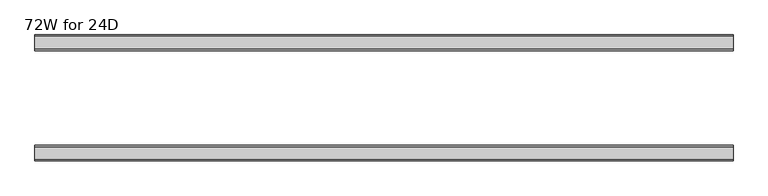
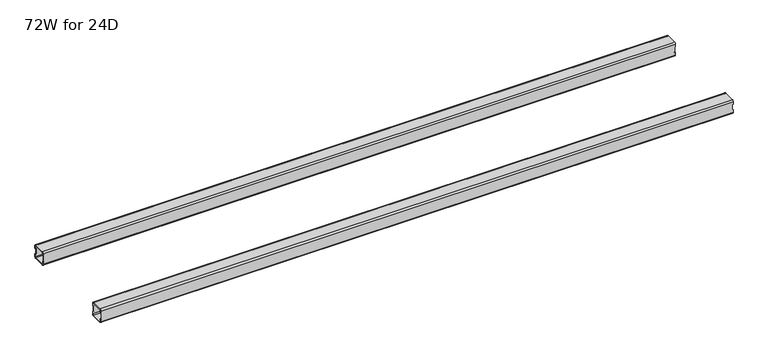
"""IFC4 building model written with IfcOpenShell, lengths in millimetres: furniture geometry, 72W for 24D."""

from ifc_helpers import new_model, si_unit, frame, origin, place, context, project, spatial, polyline, circle_curve, source, transform, mapped, element, save
from ifc_brep_helpers import plane_surface, cylinder_surface, revolved_surface, advanced_brep


def furniture_72w_for_24d_0bb4afb6(model_context):
    return source(origin(), model_context, "Body", "AdvancedBrep", [
        advanced_brep(
        [(1803.8028, -438.5082, 307.276), (1803.8028, -440.5082, 305.276), (1803.8028, -472.5082, 305.276), (1803.8028, -474.5082, 307.276), (1803.8028, -474.5082, 314.776), (1803.8028, -476.5082, 314.776), (1803.8028, -476.5082, 307.276), (1803.8028, -472.5082, 303.276), (1803.8028, -440.5082, 303.276), (1803.8028, -436.5082, 307.276), (1803.8028, -436.5082, 314.776), (1803.8028, -438.5082, 314.776), (1803.8028, -474.5082, 338.9), (1803.8028, -472.5082, 340.9), (1803.8028, -440.5082, 340.9), (1803.8028, -438.5082, 338.9), (1803.8028, -438.5082, 331.4), (1803.8028, -436.5082, 331.4), (1803.8028, -436.5082, 338.9), (1803.8028, -440.5082, 342.9), (1803.8028, -472.5082, 342.9), (1803.8028, -476.5082, 338.9), (1803.8028, -476.5082, 331.4), (1803.8028, -474.5082, 331.4), (22.0, -438.5082, 338.9), (22.0, -440.5082, 340.9), (22.0, -472.5082, 340.9), (22.0, -474.5082, 338.9), (22.0, -474.5082, 331.4), (22.0, -476.5082, 331.4), (22.0, -476.5082, 338.9), (22.0, -472.5082, 342.9), (22.0, -440.5082, 342.9), (22.0, -436.5082, 338.9), (22.0, -436.5082, 331.4), (22.0, -438.5082, 331.4), (22.0, -474.5082, 307.276), (22.0, -472.5082, 305.276), (22.0, -440.5082, 305.276), (22.0, -438.5082, 307.276), (22.0, -438.5082, 314.776), (22.0, -436.5082, 314.776), (22.0, -436.5082, 307.276), (22.0, -440.5082, 303.276), (22.0, -472.5082, 303.276), (22.0, -476.5082, 307.276), (22.0, -476.5082, 314.776), (22.0, -474.5082, 314.776), (23.365, -474.5082, 314.776), (24.0, -474.5082, 315.411), (24.0, -474.5082, 330.765), (23.365, -474.5082, 331.4), (1802.4378, -474.5082, 331.4), (1801.8028, -474.5082, 330.765), (1801.8028, -474.5082, 315.411), (1802.4378, -474.5082, 314.776), (1802.4378, -438.5082, 314.776), (1801.8028, -438.5082, 315.411), (1801.8028, -438.5082, 330.765), (1802.4378, -438.5082, 331.4), (23.365, -438.5082, 331.4), (24.0, -438.5082, 330.765), (24.0, -438.5082, 315.411), (23.365, -438.5082, 314.776), (23.365, -476.5082, 331.4), (24.0, -476.5082, 330.765), (24.0, -476.5082, 315.411), (23.365, -476.5082, 314.776), (1802.4378, -476.5082, 314.776), (1801.8028, -476.5082, 315.411), (1801.8028, -476.5082, 330.765), (1802.4378, -476.5082, 331.4), (1802.4378, -436.5082, 331.4), (1801.8028, -436.5082, 330.765), (1801.8028, -436.5082, 315.411), (1802.4378, -436.5082, 314.776), (23.365, -436.5082, 314.776), (24.0, -436.5082, 315.411), (24.0, -436.5082, 330.765), (23.365, -436.5082, 331.4)],
        [
            (0, 1, circle_curve(frame((1803.8028, -440.5082, 307.276), z_axis=(-1.0, 0.0, 0.0), x_axis=(0.0, 1.0, 0.0)), 2.0)),
            (1, 2),
            (2, 3, circle_curve(frame((1803.8028, -472.5082, 307.276), z_axis=(-1.0, 0.0, 0.0), x_axis=(0.0, 1.0, 0.0)), 2.0)),
            (3, 4),
            (4, 5),
            (5, 6),
            (6, 7, circle_curve(frame((1803.8028, -472.5082, 307.276), z_axis=(1.0, 0.0, 0.0), x_axis=(0.0, 1.0, 0.0)), 4.0)),
            (7, 8),
            (8, 9, circle_curve(frame((1803.8028, -440.5082, 307.276), z_axis=(1.0, 0.0, 0.0), x_axis=(0.0, 1.0, 0.0)), 4.0)),
            (9, 10),
            (10, 11),
            (11, 0),
            (12, 13, circle_curve(frame((1803.8028, -472.5082, 338.9), z_axis=(-1.0, 0.0, 0.0), x_axis=(0.0, 1.0, 0.0)), 2.0)),
            (13, 14),
            (14, 15, circle_curve(frame((1803.8028, -440.5082, 338.9), z_axis=(-1.0, 0.0, 0.0), x_axis=(0.0, 1.0, 0.0)), 2.0)),
            (15, 16),
            (16, 17),
            (17, 18),
            (18, 19, circle_curve(frame((1803.8028, -440.5082, 338.9), z_axis=(1.0, 0.0, 0.0), x_axis=(0.0, 1.0, 0.0)), 4.0)),
            (19, 20),
            (20, 21, circle_curve(frame((1803.8028, -472.5082, 338.9), z_axis=(1.0, 0.0, 0.0), x_axis=(0.0, 1.0, 0.0)), 4.0)),
            (21, 22),
            (22, 23),
            (23, 12),
            (24, 25, circle_curve(frame((22.0, -440.5082, 338.9), z_axis=(1.0, 0.0, 0.0), x_axis=(0.0, 1.0, 0.0)), 2.0)),
            (25, 26),
            (26, 27, circle_curve(frame((22.0, -472.5082, 338.9), z_axis=(1.0, 0.0, 0.0), x_axis=(0.0, 1.0, 0.0)), 2.0)),
            (27, 28),
            (28, 29),
            (29, 30),
            (30, 31, circle_curve(frame((22.0, -472.5082, 338.9), z_axis=(-1.0, 0.0, 0.0), x_axis=(0.0, 1.0, 0.0)), 4.0)),
            (31, 32),
            (32, 33, circle_curve(frame((22.0, -440.5082, 338.9), z_axis=(-1.0, 0.0, 0.0), x_axis=(0.0, 1.0, 0.0)), 4.0)),
            (33, 34),
            (34, 35),
            (35, 24),
            (36, 37, circle_curve(frame((22.0, -472.5082, 307.276), z_axis=(1.0, 0.0, 0.0), x_axis=(0.0, 1.0, 0.0)), 2.0)),
            (37, 38),
            (38, 39, circle_curve(frame((22.0, -440.5082, 307.276), z_axis=(1.0, 0.0, 0.0), x_axis=(0.0, 1.0, 0.0)), 2.0)),
            (39, 40),
            (40, 41),
            (41, 42),
            (42, 43, circle_curve(frame((22.0, -440.5082, 307.276), z_axis=(-1.0, 0.0, 0.0), x_axis=(0.0, 1.0, 0.0)), 4.0)),
            (43, 44),
            (44, 45, circle_curve(frame((22.0, -472.5082, 307.276), z_axis=(-1.0, 0.0, 0.0), x_axis=(0.0, 1.0, 0.0)), 4.0)),
            (45, 46),
            (46, 47),
            (47, 36),
            (0, 39),
            (38, 1),
            (37, 2),
            (36, 3),
            (47, 48),
            (48, 49, circle_curve(frame((23.365, -474.5082, 315.411), z_axis=(0.0, -1.0, 0.0), x_axis=(1.0, 0.0, 0.0)), 0.635)),
            (49, 50),
            (50, 51, circle_curve(frame((23.365, -474.5082, 330.765), z_axis=(0.0, -1.0, 0.0), x_axis=(1.0, 0.0, 0.0)), 0.635)),
            (51, 28),
            (27, 12),
            (23, 52),
            (52, 53, circle_curve(frame((1802.4378, -474.5082, 330.765), z_axis=(0.0, -1.0, 0.0), x_axis=(1.0, 0.0, 0.0)), 0.635)),
            (53, 54),
            (54, 55, circle_curve(frame((1802.4378, -474.5082, 315.411), z_axis=(0.0, -1.0, 0.0), x_axis=(1.0, 0.0, 0.0)), 0.635)),
            (55, 4),
            (26, 13),
            (25, 14),
            (24, 15),
            (11, 56),
            (56, 57, circle_curve(frame((1802.4378, -438.5082, 315.411), z_axis=(0.0, 1.0, 0.0), x_axis=(1.0, 0.0, 0.0)), 0.635)),
            (57, 58),
            (58, 59, circle_curve(frame((1802.4378, -438.5082, 330.765), z_axis=(0.0, 1.0, 0.0), x_axis=(1.0, 0.0, 0.0)), 0.635)),
            (59, 16),
            (35, 60),
            (60, 61, circle_curve(frame((23.365, -438.5082, 330.765), z_axis=(0.0, 1.0, 0.0), x_axis=(1.0, 0.0, 0.0)), 0.635)),
            (61, 62),
            (62, 63, circle_curve(frame((23.365, -438.5082, 315.411), z_axis=(0.0, 1.0, 0.0), x_axis=(1.0, 0.0, 0.0)), 0.635)),
            (63, 40),
            (18, 33),
            (32, 19),
            (31, 20),
            (30, 21),
            (29, 64),
            (64, 65, circle_curve(frame((23.365, -476.5082, 330.765), z_axis=(0.0, 1.0, 0.0), x_axis=(1.0, 0.0, 0.0)), 0.635)),
            (65, 66),
            (66, 67, circle_curve(frame((23.365, -476.5082, 315.411), z_axis=(0.0, 1.0, 0.0), x_axis=(1.0, 0.0, 0.0)), 0.635)),
            (67, 46),
            (45, 6),
            (5, 68),
            (68, 69, circle_curve(frame((1802.4378, -476.5082, 315.411), z_axis=(0.0, 1.0, 0.0), x_axis=(1.0, 0.0, 0.0)), 0.635)),
            (69, 70),
            (70, 71, circle_curve(frame((1802.4378, -476.5082, 330.765), z_axis=(0.0, 1.0, 0.0), x_axis=(1.0, 0.0, 0.0)), 0.635)),
            (71, 22),
            (44, 7),
            (43, 8),
            (42, 9),
            (17, 72),
            (72, 73, circle_curve(frame((1802.4378, -436.5082, 330.765), z_axis=(0.0, -1.0, 0.0), x_axis=(1.0, 0.0, 0.0)), 0.635)),
            (73, 74),
            (74, 75, circle_curve(frame((1802.4378, -436.5082, 315.411), z_axis=(0.0, -1.0, 0.0), x_axis=(1.0, 0.0, 0.0)), 0.635)),
            (75, 10),
            (41, 76),
            (76, 77, circle_curve(frame((23.365, -436.5082, 315.411), z_axis=(0.0, -1.0, 0.0), x_axis=(1.0, 0.0, 0.0)), 0.635)),
            (77, 78),
            (78, 79, circle_curve(frame((23.365, -436.5082, 330.765), z_axis=(0.0, -1.0, 0.0), x_axis=(1.0, 0.0, 0.0)), 0.635)),
            (79, 34),
            (71, 52),
            (59, 72),
            (70, 53),
            (58, 73),
            (69, 54),
            (57, 74),
            (68, 55),
            (56, 75),
            (51, 64),
            (79, 60),
            (67, 48),
            (63, 76),
            (66, 49),
            (62, 77),
            (65, 50),
            (61, 78),
        ],
        [
            plane_surface(frame((1803.8028, -438.5082, 307.276), z_axis=(1.0, 0.0, 0.0), x_axis=(0.0, 0.0, -1.0))),
            plane_surface(frame((22.0, -438.5082, 307.276), z_axis=(-1.0, 0.0, 0.0), x_axis=(0.0, 0.0, 1.0))),
            revolved_surface(polyline([(22.0, -438.5082, 307.276), (1803.8028, -438.5082, 307.276)]), (22.0, -440.5082, 307.276), (-1.0, 0.0, 0.0)),
            plane_surface(frame((1803.8028, -440.5082, 305.276), z_axis=(0.0, -5.196493235738685e-12, 1.0), x_axis=(-1.0, 0.0, 0.0))),
            revolved_surface(polyline([(22.0, -470.5082, 307.276), (1803.8028, -470.5082, 307.276)]), (22.0, -472.5082, 307.276), (-1.0, 0.0, 0.0)),
            plane_surface(frame((1803.8028, -474.5082, 307.276), z_axis=(0.0, 1.0, 0.0), x_axis=(-1.0, 0.0, 0.0))),
            revolved_surface(polyline([(22.0, -470.5082, 338.9), (1803.8028, -470.5082, 338.9)]), (22.0, -472.5082, 338.9), (-1.0, 0.0, 0.0)),
            plane_surface(frame((1803.8028, -472.5082, 340.9), z_axis=(0.0, 0.0, -1.0), x_axis=(-1.0, 0.0, 0.0))),
            revolved_surface(polyline([(22.0, -438.5082, 338.9), (1803.8028, -438.5082, 338.9)]), (22.0, -440.5082, 338.9), (-1.0, 0.0, 0.0)),
            plane_surface(frame((1803.8028, -438.5082, 338.9), z_axis=(0.0, -1.0, 0.0), x_axis=(-1.0, 0.0, 0.0))),
            cylinder_surface(frame((0.0, -440.5082, 338.9), z_axis=(1.0, 0.0, 0.0), x_axis=(0.0, 1.0, 0.0)), 4.0),
            plane_surface(frame((1803.8028, -440.5082, 342.9), z_axis=(0.0, 0.0, 1.0), x_axis=(-1.0, 0.0, 0.0))),
            cylinder_surface(frame((0.0, -472.5082, 338.9), z_axis=(1.0, 0.0, 0.0), x_axis=(0.0, 1.0, 0.0)), 4.0),
            plane_surface(frame((1803.8028, -476.5082, 338.9), z_axis=(0.0, -1.0, 0.0), x_axis=(-1.0, 0.0, 0.0))),
            cylinder_surface(frame((0.0, -472.5082, 307.276), z_axis=(1.0, 0.0, 0.0), x_axis=(0.0, 1.0, 0.0)), 4.0),
            plane_surface(frame((1803.8028, -472.5082, 303.276), z_axis=(0.0, 0.0, -1.0), x_axis=(-1.0, 0.0, 0.0))),
            cylinder_surface(frame((0.0, -440.5082, 307.276), z_axis=(1.0, 0.0, 0.0), x_axis=(0.0, 1.0, 0.0)), 4.0),
            plane_surface(frame((1803.8028, -436.5082, 307.276), z_axis=(0.0, 1.0, -5.2518576384018155e-12), x_axis=(-1.0, 0.0, 0.0))),
            plane_surface(frame((1803.8028, -476.5082, 331.4), z_axis=(1.13046568445381e-11, 0.0, -1.0), x_axis=(0.0, 1.0, 0.0))),
            revolved_surface(polyline([(1803.0728, -476.5082, 330.765), (1803.0728, -474.5082, 330.765)]), (1802.4378, -436.5082, 330.765), (0.0, -1.0, 0.0)),
            revolved_surface(polyline([(1803.0728, -438.5082, 330.765), (1803.0728, -436.5082, 330.765)]), (1802.4378, -436.5082, 330.765), (0.0, -1.0, 0.0)),
            plane_surface(frame((1801.8028, -476.5082, 330.765), z_axis=(1.0, 0.0, 0.0), x_axis=(0.0, 1.0, 0.0))),
            revolved_surface(polyline([(1803.0728, -476.5082, 315.411), (1803.0728, -474.5082, 315.411)]), (1802.4378, -436.5082, 315.411), (0.0, -1.0, 0.0)),
            revolved_surface(polyline([(1803.0728, -438.5082, 315.411), (1803.0728, -436.5082, 315.411)]), (1802.4378, -436.5082, 315.411), (0.0, -1.0, 0.0)),
            plane_surface(frame((1802.4378, -476.5082, 314.776), z_axis=(0.0, 0.0, 1.0), x_axis=(0.0, 1.0, 0.0))),
            plane_surface(frame((23.365, -476.5082, 331.4), z_axis=(0.0, 0.0, -1.0), x_axis=(0.0, 1.0, 0.0))),
            plane_surface(frame((22.0, -476.5082, 314.776), z_axis=(-1.1453402329138697e-11, 0.0, 1.0), x_axis=(0.0, 1.0, 0.0))),
            revolved_surface(polyline([(24.0, -476.5082, 315.411), (24.0, -474.5082, 315.411)]), (23.365, -436.5082, 315.411), (0.0, -1.0, 0.0)),
            revolved_surface(polyline([(24.0, -438.5082, 315.411), (24.0, -436.5082, 315.411)]), (23.365, -436.5082, 315.411), (0.0, -1.0, 0.0)),
            plane_surface(frame((24.0, -476.5082, 315.411), z_axis=(-1.0, 0.0, 0.0), x_axis=(0.0, 1.0, 0.0))),
            revolved_surface(polyline([(24.0, -476.5082, 330.765), (24.0, -474.5082, 330.765)]), (23.365, -436.5082, 330.765), (0.0, -1.0, 0.0)),
            revolved_surface(polyline([(24.0, -438.5082, 330.765), (24.0, -436.5082, 330.765)]), (23.365, -436.5082, 330.765), (0.0, -1.0, 0.0)),
        ],
        [
            (0, [[1, 2, 3, 4, 5, 6, 7, 8, 9, 10, 11, 12]]),
            (0, [[13, 14, 15, 16, 17, 18, 19, 20, 21, 22, 23, 24]]),
            (1, [[25, 26, 27, 28, 29, 30, 31, 32, 33, 34, 35, 36]]),
            (1, [[37, 38, 39, 40, 41, 42, 43, 44, 45, 46, 47, 48]]),
            (2, [[-1, 49, -39, 50]]),
            (3, [[-2, -50, -38, 51]]),
            (4, [[-3, -51, -37, 52]]),
            (5, [[-52, -48, 53, 54, 55, 56, 57, -28, 58, -24, 59, 60, 61, 62, 63, -4]]),
            (6, [[-13, -58, -27, 64]]),
            (7, [[-14, -64, -26, 65]]),
            (8, [[-15, -65, -25, 66]]),
            (9, [[-49, -12, 67, 68, 69, 70, 71, -16, -66, -36, 72, 73, 74, 75, 76, -40]]),
            (10, [[-19, 77, -33, 78]]),
            (11, [[-20, -78, -32, 79]]),
            (12, [[-21, -79, -31, 80]]),
            (13, [[-80, -30, 81, 82, 83, 84, 85, -46, 86, -6, 87, 88, 89, 90, 91, -22]]),
            (14, [[-7, -86, -45, 92]]),
            (15, [[-8, -92, -44, 93]]),
            (16, [[-9, -93, -43, 94]]),
            (17, [[-77, -18, 95, 96, 97, 98, 99, -10, -94, -42, 100, 101, 102, 103, 104, -34]]),
            (18, [[105, -59, -23, -91]]),
            (18, [[106, -95, -17, -71]]),
            (19, [[-105, -90, 107, -60]]),
            (20, [[-106, -70, 108, -96]]),
            (21, [[-107, -89, 109, -61]]),
            (21, [[-108, -69, 110, -97]]),
            (22, [[-109, -88, 111, -62]]),
            (23, [[-110, -68, 112, -98]]),
            (24, [[-111, -87, -5, -63]]),
            (24, [[-112, -67, -11, -99]]),
            (25, [[113, -81, -29, -57]]),
            (25, [[114, -72, -35, -104]]),
            (26, [[115, -53, -47, -85]]),
            (26, [[116, -100, -41, -76]]),
            (27, [[-115, -84, 117, -54]]),
            (28, [[-116, -75, 118, -101]]),
            (29, [[-117, -83, 119, -55]]),
            (29, [[-118, -74, 120, -102]]),
            (30, [[-113, -56, -119, -82]]),
            (31, [[-114, -103, -120, -73]]),
        ],
    ),
        advanced_brep(
        [(1803.8028, -192.9996202, 338.9), (1803.8028, -190.9996202, 340.9), (1803.8028, -159.0003798, 340.9), (1803.8028, -157.0003798, 338.9), (1803.8028, -157.0003798, 331.4), (1803.8028, -155.0003798, 331.4), (1803.8028, -155.0003798, 338.9), (1803.8028, -159.0003798, 342.9), (1803.8028, -190.9996202, 342.9), (1803.8028, -194.9996202, 338.9), (1803.8028, -194.9996202, 331.4), (1803.8028, -192.9996202, 331.4), (1803.8028, -157.0003798, 307.276), (1803.8028, -159.0003798, 305.276), (1803.8028, -190.9996202, 305.276), (1803.8028, -192.9996202, 307.276), (1803.8028, -192.9996202, 314.776), (1803.8028, -194.9996202, 314.776), (1803.8028, -194.9996202, 307.276), (1803.8028, -190.9996202, 303.276), (1803.8028, -159.0003798, 303.276), (1803.8028, -155.0003798, 307.276), (1803.8028, -155.0003798, 314.776), (1803.8028, -157.0003798, 314.776), (22.0, -192.9996202, 307.276), (22.0, -190.9996202, 305.276), (22.0, -159.0003798, 305.276), (22.0, -157.0003798, 307.276), (22.0, -157.0003798, 314.776), (22.0, -155.0003798, 314.776), (22.0, -155.0003798, 307.276), (22.0, -159.0003798, 303.276), (22.0, -190.9996202, 303.276), (22.0, -194.9996202, 307.276), (22.0, -194.9996202, 314.776), (22.0, -192.9996202, 314.776), (22.0, -157.0003798, 338.9), (22.0, -159.0003798, 340.9), (22.0, -190.9996202, 340.9), (22.0, -192.9996202, 338.9), (22.0, -192.9996202, 331.4), (22.0, -194.9996202, 331.4), (22.0, -194.9996202, 338.9), (22.0, -190.9996202, 342.9), (22.0, -159.0003798, 342.9), (22.0, -155.0003798, 338.9), (22.0, -155.0003798, 331.4), (22.0, -157.0003798, 331.4), (1802.4378, -157.0003798, 314.776), (1801.8028, -157.0003798, 315.411), (1801.8028, -157.0003798, 330.765), (1802.4378, -157.0003798, 331.4), (23.365, -157.0003798, 331.4), (24.0, -157.0003798, 330.765), (24.0, -157.0003798, 315.411), (23.365, -157.0003798, 314.776), (23.365, -192.9996202, 314.776), (24.0, -192.9996202, 315.411), (24.0, -192.9996202, 330.765), (23.365, -192.9996202, 331.4), (1802.4378, -192.9996202, 331.4), (1801.8028, -192.9996202, 330.765), (1801.8028, -192.9996202, 315.411), (1802.4378, -192.9996202, 314.776), (1802.4378, -155.0003798, 331.4), (1801.8028, -155.0003798, 330.765), (1801.8028, -155.0003798, 315.411), (1802.4378, -155.0003798, 314.776), (23.365, -155.0003798, 314.776), (24.0, -155.0003798, 315.411), (24.0, -155.0003798, 330.765), (23.365, -155.0003798, 331.4), (23.365, -194.9996202, 331.4), (24.0, -194.9996202, 330.765), (24.0, -194.9996202, 315.411), (23.365, -194.9996202, 314.776), (1802.4378, -194.9996202, 314.776), (1801.8028, -194.9996202, 315.411), (1801.8028, -194.9996202, 330.765), (1802.4378, -194.9996202, 331.4)],
        [
            (0, 1, circle_curve(frame((1803.8028, -190.9996202, 338.9), z_axis=(-1.0, 0.0, 0.0), x_axis=(0.0, -1.0, 0.0)), 2.0)),
            (1, 2),
            (2, 3, circle_curve(frame((1803.8028, -159.0003798, 338.9), z_axis=(-1.0, 0.0, 0.0), x_axis=(0.0, -1.0, 0.0)), 2.0)),
            (3, 4),
            (4, 5),
            (5, 6),
            (6, 7, circle_curve(frame((1803.8028, -159.0003798, 338.9), z_axis=(1.0, 0.0, 0.0), x_axis=(0.0, -1.0, 0.0)), 4.0)),
            (7, 8),
            (8, 9, circle_curve(frame((1803.8028, -190.9996202, 338.9), z_axis=(1.0, 0.0, 0.0), x_axis=(0.0, -1.0, 0.0)), 4.0)),
            (9, 10),
            (10, 11),
            (11, 0),
            (12, 13, circle_curve(frame((1803.8028, -159.0003798, 307.276), z_axis=(-1.0, 0.0, 0.0), x_axis=(0.0, -1.0, 0.0)), 2.0)),
            (13, 14),
            (14, 15, circle_curve(frame((1803.8028, -190.9996202, 307.276), z_axis=(-1.0, 0.0, 0.0), x_axis=(0.0, -1.0, 0.0)), 2.0)),
            (15, 16),
            (16, 17),
            (17, 18),
            (18, 19, circle_curve(frame((1803.8028, -190.9996202, 307.276), z_axis=(1.0, 0.0, 0.0), x_axis=(0.0, -1.0, 0.0)), 4.0)),
            (19, 20),
            (20, 21, circle_curve(frame((1803.8028, -159.0003798, 307.276), z_axis=(1.0, 0.0, 0.0), x_axis=(0.0, -1.0, 0.0)), 4.0)),
            (21, 22),
            (22, 23),
            (23, 12),
            (24, 25, circle_curve(frame((22.0, -190.9996202, 307.276), z_axis=(1.0, 0.0, 0.0), x_axis=(0.0, -1.0, 0.0)), 2.0)),
            (25, 26),
            (26, 27, circle_curve(frame((22.0, -159.0003798, 307.276), z_axis=(1.0, 0.0, 0.0), x_axis=(0.0, -1.0, 0.0)), 2.0)),
            (27, 28),
            (28, 29),
            (29, 30),
            (30, 31, circle_curve(frame((22.0, -159.0003798, 307.276), z_axis=(-1.0, 0.0, 0.0), x_axis=(0.0, -1.0, 0.0)), 4.0)),
            (31, 32),
            (32, 33, circle_curve(frame((22.0, -190.9996202, 307.276), z_axis=(-1.0, 0.0, 0.0), x_axis=(0.0, -1.0, 0.0)), 4.0)),
            (33, 34),
            (34, 35),
            (35, 24),
            (36, 37, circle_curve(frame((22.0, -159.0003798, 338.9), z_axis=(1.0, 0.0, 0.0), x_axis=(0.0, -1.0, 0.0)), 2.0)),
            (37, 38),
            (38, 39, circle_curve(frame((22.0, -190.9996202, 338.9), z_axis=(1.0, 0.0, 0.0), x_axis=(0.0, -1.0, 0.0)), 2.0)),
            (39, 40),
            (40, 41),
            (41, 42),
            (42, 43, circle_curve(frame((22.0, -190.9996202, 338.9), z_axis=(-1.0, 0.0, 0.0), x_axis=(0.0, -1.0, 0.0)), 4.0)),
            (43, 44),
            (44, 45, circle_curve(frame((22.0, -159.0003798, 338.9), z_axis=(-1.0, 0.0, 0.0), x_axis=(0.0, -1.0, 0.0)), 4.0)),
            (45, 46),
            (46, 47),
            (47, 36),
            (14, 25),
            (24, 15),
            (13, 26),
            (12, 27),
            (23, 48),
            (48, 49, circle_curve(frame((1802.4378, -157.0003798, 315.411), z_axis=(0.0, 1.0, 0.0), x_axis=(1.0, 0.0, 0.0)), 0.635)),
            (49, 50),
            (50, 51, circle_curve(frame((1802.4378, -157.0003798, 330.765), z_axis=(0.0, 1.0, 0.0), x_axis=(1.0, 0.0, 0.0)), 0.635)),
            (51, 4),
            (3, 36),
            (47, 52),
            (52, 53, circle_curve(frame((23.365, -157.0003798, 330.765), z_axis=(0.0, 1.0, 0.0), x_axis=(1.0, 0.0, 0.0)), 0.635)),
            (53, 54),
            (54, 55, circle_curve(frame((23.365, -157.0003798, 315.411), z_axis=(0.0, 1.0, 0.0), x_axis=(1.0, 0.0, 0.0)), 0.635)),
            (55, 28),
            (2, 37),
            (1, 38),
            (0, 39),
            (35, 56),
            (56, 57, circle_curve(frame((23.365, -192.9996202, 315.411), z_axis=(0.0, -1.0, 0.0), x_axis=(1.0, 0.0, 0.0)), 0.635)),
            (57, 58),
            (58, 59, circle_curve(frame((23.365, -192.9996202, 330.765), z_axis=(0.0, -1.0, 0.0), x_axis=(1.0, 0.0, 0.0)), 0.635)),
            (59, 40),
            (11, 60),
            (60, 61, circle_curve(frame((1802.4378, -192.9996202, 330.765), z_axis=(0.0, -1.0, 0.0), x_axis=(1.0, 0.0, 0.0)), 0.635)),
            (61, 62),
            (62, 63, circle_curve(frame((1802.4378, -192.9996202, 315.411), z_axis=(0.0, -1.0, 0.0), x_axis=(1.0, 0.0, 0.0)), 0.635)),
            (63, 16),
            (8, 43),
            (42, 9),
            (7, 44),
            (6, 45),
            (5, 64),
            (64, 65, circle_curve(frame((1802.4378, -155.0003798, 330.765), z_axis=(0.0, -1.0, 0.0), x_axis=(1.0, 0.0, 0.0)), 0.635)),
            (65, 66),
            (66, 67, circle_curve(frame((1802.4378, -155.0003798, 315.411), z_axis=(0.0, -1.0, 0.0), x_axis=(1.0, 0.0, 0.0)), 0.635)),
            (67, 22),
            (21, 30),
            (29, 68),
            (68, 69, circle_curve(frame((23.365, -155.0003798, 315.411), z_axis=(0.0, -1.0, 0.0), x_axis=(1.0, 0.0, 0.0)), 0.635)),
            (69, 70),
            (70, 71, circle_curve(frame((23.365, -155.0003798, 330.765), z_axis=(0.0, -1.0, 0.0), x_axis=(1.0, 0.0, 0.0)), 0.635)),
            (71, 46),
            (20, 31),
            (19, 32),
            (18, 33),
            (41, 72),
            (72, 73, circle_curve(frame((23.365, -194.9996202, 330.765), z_axis=(0.0, 1.0, 0.0), x_axis=(1.0, 0.0, 0.0)), 0.635)),
            (73, 74),
            (74, 75, circle_curve(frame((23.365, -194.9996202, 315.411), z_axis=(0.0, 1.0, 0.0), x_axis=(1.0, 0.0, 0.0)), 0.635)),
            (75, 34),
            (17, 76),
            (76, 77, circle_curve(frame((1802.4378, -194.9996202, 315.411), z_axis=(0.0, 1.0, 0.0), x_axis=(1.0, 0.0, 0.0)), 0.635)),
            (77, 78),
            (78, 79, circle_curve(frame((1802.4378, -194.9996202, 330.765), z_axis=(0.0, 1.0, 0.0), x_axis=(1.0, 0.0, 0.0)), 0.635)),
            (79, 10),
            (51, 64),
            (79, 60),
            (50, 65),
            (78, 61),
            (49, 66),
            (77, 62),
            (48, 67),
            (76, 63),
            (71, 52),
            (59, 72),
            (55, 68),
            (75, 56),
            (54, 69),
            (74, 57),
            (53, 70),
            (73, 58),
        ],
        [
            plane_surface(frame((1803.8028, -192.9996202, 338.9), z_axis=(1.0, 0.0, 0.0), x_axis=(0.0, 0.0, 1.0))),
            plane_surface(frame((22.0, -192.9996202, 338.9), z_axis=(-1.0, 0.0, 0.0), x_axis=(0.0, 0.0, -1.0))),
            revolved_surface(polyline([(22.0, -192.9996202, 307.276), (1803.8028, -192.9996202, 307.276)]), (22.0, -190.9996202, 307.276), (-1.0, 0.0, 0.0)),
            plane_surface(frame((1803.8028, -159.0003798, 305.276), z_axis=(0.0, -1.0173270604597604e-12, 1.0), x_axis=(-1.0, 0.0, 0.0))),
            revolved_surface(polyline([(22.0, -161.0003798, 307.276), (1803.8028, -161.0003798, 307.276)]), (22.0, -159.0003798, 307.276), (-1.0, 0.0, 0.0)),
            plane_surface(frame((1803.8028, -157.0003798, 338.9), z_axis=(0.0, -1.0, 0.0), x_axis=(-1.0, 0.0, 0.0))),
            revolved_surface(polyline([(22.0, -161.0003798, 338.9), (1803.8028, -161.0003798, 338.9)]), (22.0, -159.0003798, 338.9), (-1.0, 0.0, 0.0)),
            plane_surface(frame((1803.8028, -190.9996202, 340.9), z_axis=(0.0, 0.0, -1.0), x_axis=(-1.0, 0.0, 0.0))),
            revolved_surface(polyline([(22.0, -192.9996202, 338.9), (1803.8028, -192.9996202, 338.9)]), (22.0, -190.9996202, 338.9), (-1.0, 0.0, 0.0)),
            plane_surface(frame((1803.8028, -192.9996202, 307.276), z_axis=(0.0, 1.0, 0.0), x_axis=(-1.0, 0.0, 0.0))),
            cylinder_surface(frame((0.0, -190.9996202, 338.9), z_axis=(1.0, 0.0, 0.0), x_axis=(0.0, -1.0, 0.0)), 4.0),
            plane_surface(frame((1803.8028, -159.0003798, 342.9), z_axis=(0.0, 0.0, 1.0), x_axis=(-1.0, 0.0, 0.0))),
            cylinder_surface(frame((0.0, -159.0003798, 338.9), z_axis=(1.0, 0.0, 0.0), x_axis=(0.0, -1.0, 0.0)), 4.0),
            plane_surface(frame((1803.8028, -155.0003798, 307.276), z_axis=(0.0, 1.0, 0.0), x_axis=(-1.0, 0.0, 0.0))),
            cylinder_surface(frame((0.0, -159.0003798, 307.276), z_axis=(1.0, 0.0, 0.0), x_axis=(0.0, -1.0, 0.0)), 4.0),
            plane_surface(frame((1803.8028, -190.9996202, 303.276), z_axis=(0.0, 0.0, -1.0), x_axis=(-1.0, 0.0, 0.0))),
            cylinder_surface(frame((0.0, -190.9996202, 307.276), z_axis=(1.0, 0.0, 0.0), x_axis=(0.0, -1.0, 0.0)), 4.0),
            plane_surface(frame((1803.8028, -194.9996202, 338.9), z_axis=(0.0, -1.0, 1.0326085209912824e-12), x_axis=(-1.0, 0.0, 0.0))),
            plane_surface(frame((1802.4378, -155.0003798, 331.4), z_axis=(-8.800774516254977e-11, 0.0, -1.0), x_axis=(0.0, -1.0, 0.0))),
            revolved_surface(polyline([(1803.0728, -155.0003798, 330.765), (1803.0728, -157.0003798, 330.765)]), (1802.4378, -194.9996202, 330.765), (0.0, 1.0, 0.0)),
            revolved_surface(polyline([(1803.0728, -192.9996202, 330.765), (1803.0728, -194.9996202, 330.765)]), (1802.4378, -194.9996202, 330.765), (0.0, 1.0, 0.0)),
            plane_surface(frame((1801.8028, -155.0003798, 315.411), z_axis=(1.0, 0.0, 7.599253170607055e-12), x_axis=(0.0, -1.0, 0.0))),
            revolved_surface(polyline([(1803.0728, -155.0003798, 315.411), (1803.0728, -157.0003798, 315.411)]), (1802.4378, -194.9996202, 315.411), (0.0, 1.0, 0.0)),
            revolved_surface(polyline([(1803.0728, -192.9996202, 315.411), (1803.0728, -194.9996202, 315.411)]), (1802.4378, -194.9996202, 315.411), (0.0, 1.0, 0.0)),
            plane_surface(frame((1803.8028, -155.0003798, 314.776), z_axis=(0.0, 0.0, 1.0), x_axis=(0.0, -1.0, 0.0))),
            plane_surface(frame((22.0, -155.0003798, 331.4), z_axis=(0.0, 0.0, -1.0), x_axis=(0.0, -1.0, 0.0))),
            plane_surface(frame((23.365, -155.0003798, 314.776), z_axis=(-5.220966516710678e-11, 0.0, 1.0), x_axis=(0.0, -1.0, 0.0))),
            revolved_surface(polyline([(24.0, -155.0003798, 315.411), (24.0, -157.0003798, 315.411)]), (23.365, -194.9996202, 315.411), (0.0, 1.0, 0.0)),
            revolved_surface(polyline([(24.0, -192.9996202, 315.411), (24.0, -194.9996202, 315.411)]), (23.365, -194.9996202, 315.411), (0.0, 1.0, 0.0)),
            plane_surface(frame((24.0, -155.0003798, 330.765), z_axis=(-1.0, 0.0, 3.528539537747653e-12), x_axis=(0.0, -1.0, 0.0))),
            revolved_surface(polyline([(24.0, -155.0003798, 330.765), (24.0, -157.0003798, 330.765)]), (23.365, -194.9996202, 330.765), (0.0, 1.0, 0.0)),
            revolved_surface(polyline([(24.0, -192.9996202, 330.765), (24.0, -194.9996202, 330.765)]), (23.365, -194.9996202, 330.765), (0.0, 1.0, 0.0)),
        ],
        [
            (0, [[1, 2, 3, 4, 5, 6, 7, 8, 9, 10, 11, 12]]),
            (0, [[13, 14, 15, 16, 17, 18, 19, 20, 21, 22, 23, 24]]),
            (1, [[25, 26, 27, 28, 29, 30, 31, 32, 33, 34, 35, 36]]),
            (1, [[37, 38, 39, 40, 41, 42, 43, 44, 45, 46, 47, 48]]),
            (2, [[-15, 49, -25, 50]]),
            (3, [[-14, 51, -26, -49]]),
            (4, [[-13, 52, -27, -51]]),
            (5, [[-52, -24, 53, 54, 55, 56, 57, -4, 58, -48, 59, 60, 61, 62, 63, -28]]),
            (6, [[-3, 64, -37, -58]]),
            (7, [[-2, 65, -38, -64]]),
            (8, [[-1, 66, -39, -65]]),
            (9, [[-50, -36, 67, 68, 69, 70, 71, -40, -66, -12, 72, 73, 74, 75, 76, -16]]),
            (10, [[-9, 77, -43, 78]]),
            (11, [[-8, 79, -44, -77]]),
            (12, [[-7, 80, -45, -79]]),
            (13, [[-80, -6, 81, 82, 83, 84, 85, -22, 86, -30, 87, 88, 89, 90, 91, -46]]),
            (14, [[-21, 92, -31, -86]]),
            (15, [[-20, 93, -32, -92]]),
            (16, [[-19, 94, -33, -93]]),
            (17, [[-78, -42, 95, 96, 97, 98, 99, -34, -94, -18, 100, 101, 102, 103, 104, -10]]),
            (18, [[105, -81, -5, -57]]),
            (18, [[106, -72, -11, -104]]),
            (19, [[-105, -56, 107, -82]]),
            (20, [[-106, -103, 108, -73]]),
            (21, [[-107, -55, 109, -83]]),
            (21, [[-108, -102, 110, -74]]),
            (22, [[-109, -54, 111, -84]]),
            (23, [[-110, -101, 112, -75]]),
            (24, [[-111, -53, -23, -85]]),
            (24, [[-112, -100, -17, -76]]),
            (25, [[113, -59, -47, -91]]),
            (25, [[114, -95, -41, -71]]),
            (26, [[115, -87, -29, -63]]),
            (26, [[116, -67, -35, -99]]),
            (27, [[-115, -62, 117, -88]]),
            (28, [[-116, -98, 118, -68]]),
            (29, [[-117, -61, 119, -89]]),
            (29, [[-118, -97, 120, -69]]),
            (30, [[-119, -60, -113, -90]]),
            (31, [[-120, -96, -114, -70]]),
        ],
    ),
    ])


if __name__ == "__main__":
    model = new_model("IFC4")
    model_context = context("Model", 3, world=origin())
    ifc_project = project(units=[si_unit("LENGTHUNIT", "METRE", prefix="MILLI")], contexts=[model_context])
    site = spatial("IfcSite", under=ifc_project)
    building = spatial("IfcBuilding", under=site)
    placement = place(None, origin())
    furniture_72w_for_24d_shape = furniture_72w_for_24d_0bb4afb6(model_context)
    element("IfcFurniture", 1, ObjectType="72W for 24D", at=placement, inside=building, context=model_context, shape_type="MappedRepresentation", body=[
        mapped(furniture_72w_for_24d_shape, transform((0.0, 0.0, 0.0), x_axis=(1.0, 0.0, 0.0), y_axis=(0.0, 1.0, 0.0), z_axis=(0.0, 0.0, 1.0))),
    ])
    save(model, "model.ifc")
